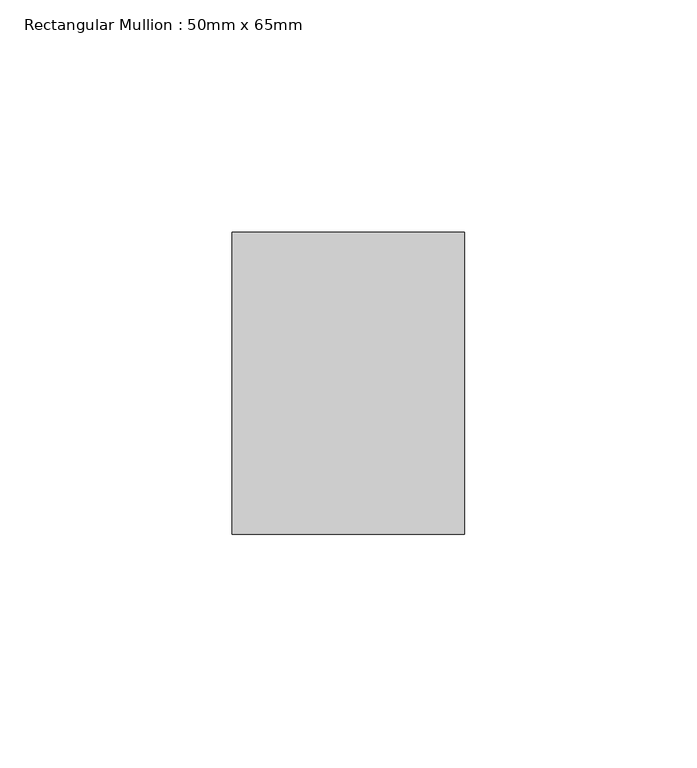
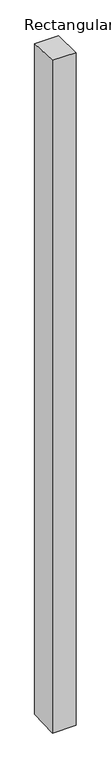
"""IFC4 building model written with IfcOpenShell, lengths in millimetres: member geometry, Rectangular Mullion : 50mm x 65mm."""

from ifc_helpers import new_model, si_unit, origin, place, context, project, spatial, faceted_brep, source, transform, mapped, element, save


def rectangular_mullion_50mm_x_65mm_18ced83c(model_context):
    return source(origin(), model_context, "Body", "Brep", [
        faceted_brep([(-25.0, 32.5, -1.1419555), (25.0, 32.5, -1.1419456), (25.0, 32.5, -1498.5322302), (-25.0, 32.5, -1498.5322174), (-25.0, -32.5, 1.1419456), (-25.0, -32.5, -1501.4675684), (25.0, -32.5, 1.1419555), (25.0, -32.5, -1501.4675812)], [[[0, 1, 2, 3]], [[4, 0, 3, 5]], [[6, 4, 5, 7]], [[1, 6, 7, 2]], [[1, 0, 4, 6]], [[2, 7, 5, 3]]]),
    ])


if __name__ == "__main__":
    model = new_model("IFC4")
    model_context = context("Model", 3, world=origin())
    ifc_project = project(units=[si_unit("LENGTHUNIT", "METRE", prefix="MILLI")], contexts=[model_context])
    site = spatial("IfcSite", under=ifc_project)
    building = spatial("IfcBuilding", under=site)
    placement = place(None, origin())
    rectangular_mullion_50mm_x_65mm_shape = rectangular_mullion_50mm_x_65mm_18ced83c(model_context)
    element("IfcMember", 1, ObjectType="Rectangular Mullion : 50mm x 65mm", at=placement, inside=building, context=model_context, shape_type="MappedRepresentation", body=[
        mapped(rectangular_mullion_50mm_x_65mm_shape, transform((0.0, 0.0, 0.0), x_axis=(1.0, 0.0, 0.0), y_axis=(0.0, 1.0, 0.0), z_axis=(0.0, 0.0, 1.0))),
    ])
    save(model, "model.ifc")
